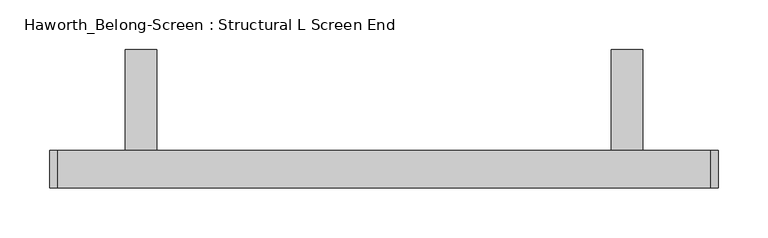
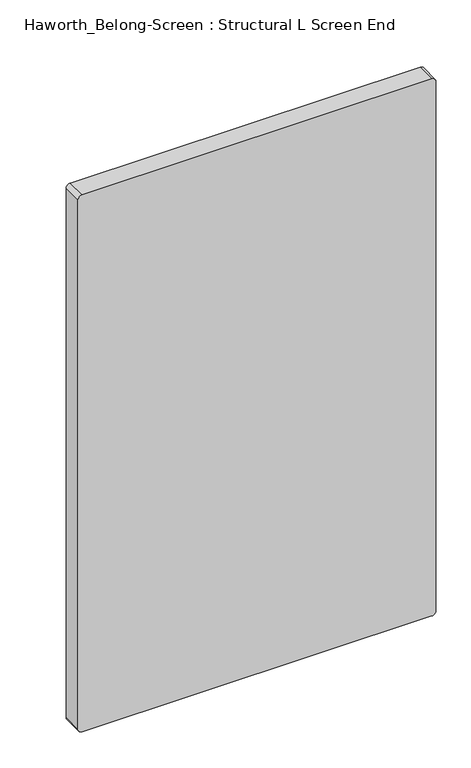
"""IFC4 building model written with IfcOpenShell, lengths in millimetres: furniture geometry, Haworth_Belong-Screen : Structural L Screen End."""

from ifc_helpers import new_model, si_unit, point, frame, frame_2d, origin, place, context, project, spatial, polyline, circle_curve, trimmed, segment, composite_curve, outline, extrude, source, transform, mapped, element, save


def haworth_belong_screen_structural_l_screen_end_b86cd3d1(model_context):
    return source(origin(), model_context, "Body", "SweptSolid", [
        extrude(outline(polyline([(19.05, 731.8375), (120.65, 731.8375), (120.65, 725.4875), (25.4, 725.4875), (25.4, 630.2375), (19.05, 630.2375), (19.05, 731.8375)])), frame((-293.0145436, 0.0, 0.0), z_axis=(1.0, 0.0, 0.0), x_axis=(0.0, 1.0, 0.0)), (0.0, 0.0, 1.0), 31.75),
        extrude(outline(polyline([(19.05, 731.8375), (120.65, 731.8375), (120.65, 725.4875), (25.4, 725.4875), (25.4, 630.2375), (19.05, 630.2375), (19.05, 731.8375)])), frame((195.9354564, 0.0, 0.0), z_axis=(1.0, 0.0, 0.0), x_axis=(0.0, 1.0, 0.0)), (0.0, 0.0, 1.0), 31.75),
        extrude(outline(composite_curve([segment(polyline([(1087.4375, 295.9479564), (1087.4375, -361.2770436)]), True, "CONTINUOUS"), segment(trimmed(circle_curve(frame_2d((1079.5, -361.2770436)), 7.9375), [point((1087.4375, -361.2770436))], [point((1079.5, -369.2145436))], False, "CARTESIAN"), True, "CONTINUOUS"), segment(polyline([(1079.5, -369.2145436), (28.575, -369.2145436)]), True, "CONTINUOUS"), segment(trimmed(circle_curve(frame_2d((28.575, -361.2770436)), 7.9375), [point((28.575, -369.2145436))], [point((20.6375, -361.2770436))], False, "CARTESIAN"), True, "CONTINUOUS"), segment(polyline([(20.6375, -361.2770436), (20.6375, 295.9479564)]), True, "CONTINUOUS"), segment(trimmed(circle_curve(frame_2d((28.575, 295.9479564)), 7.9375), [point((20.6375, 295.9479564))], [point((28.575, 303.8854564))], False, "CARTESIAN"), True, "CONTINUOUS"), segment(polyline([(28.575, 303.8854564), (1079.5, 303.8854564)]), True, "CONTINUOUS"), segment(trimmed(circle_curve(frame_2d((1079.5, 295.9479564)), 7.9375), [point((1079.5, 303.8854564))], [point((1087.4375, 295.9479564))], False, "CARTESIAN"), True, "CONTINUOUS")], self_intersect=False)), frame((0.0, -19.05, 0.0), z_axis=(0.0, 1.0, 0.0), x_axis=(0.0, 0.0, 1.0)), (0.0, 0.0, 1.0), 38.1),
    ])


if __name__ == "__main__":
    model = new_model("IFC4")
    model_context = context("Model", 3, world=origin())
    ifc_project = project(units=[si_unit("LENGTHUNIT", "METRE", prefix="MILLI")], contexts=[model_context])
    site = spatial("IfcSite", under=ifc_project)
    building = spatial("IfcBuilding", under=site)
    placement = place(None, origin())
    haworth_belong_screen_structural_l_screen_end_shape = haworth_belong_screen_structural_l_screen_end_b86cd3d1(model_context)
    element("IfcFurniture", 1, ObjectType="Haworth_Belong-Screen : Structural L Screen End", at=placement, inside=building, context=model_context, shape_type="MappedRepresentation", body=[
        mapped(haworth_belong_screen_structural_l_screen_end_shape, transform((0.0, 0.0, 0.0), x_axis=(1.0, 0.0, 0.0), y_axis=(0.0, 1.0, 0.0), z_axis=(0.0, 0.0, 1.0))),
    ])
    save(model, "model.ifc")
